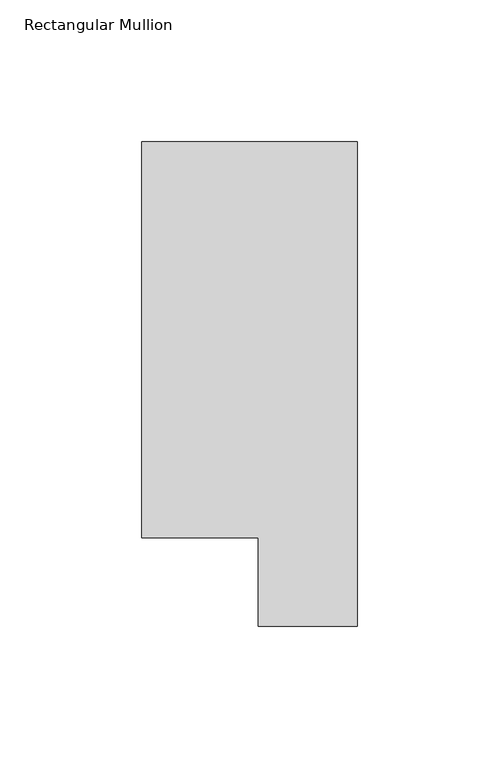
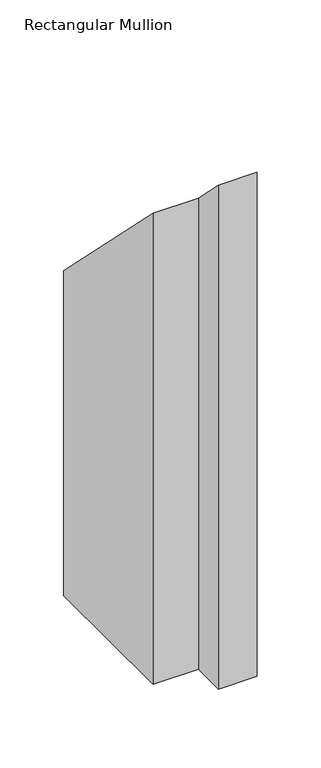
"""IFC4 building model written with IfcOpenShell, lengths in millimetres: member geometry, Rectangular Mullion."""

from ifc_helpers import new_model, si_unit, origin, place, context, project, spatial, faceted_brep, source, transform, mapped, element, save


def rectangular_mullion_82bb984d(model_context):
    return source(origin(), model_context, "Body", "Brep", [
        faceted_brep([(-76.2, 190.7881317, -501.3618687), (0.0, 190.7881317, -501.3618687), (0.0, 19.5667317, -501.3618687), (-34.9123, 19.5667317, -501.3618687), (-34.9123, 50.8087306, -501.3618687), (-76.2, 50.8087306, -501.3618687), (-76.2, 50.8087306, -50.8087306), (-76.2, 190.7881317, -190.7881317), (-34.9123, 50.8087306, -50.8087306), (-34.9123, 19.5667317, -19.5667317), (0.0, 19.5667317, -19.5667317), (0.0, 190.7881317, -190.7881317)], [[[0, 1, 2, 3, 4, 5]], [[6, 7, 0, 5]], [[8, 6, 5, 4]], [[9, 8, 4, 3]], [[10, 9, 3, 2]], [[11, 10, 2, 1]], [[7, 11, 1, 0]], [[7, 6, 8, 9, 10, 11]]]),
    ])


if __name__ == "__main__":
    model = new_model("IFC4")
    model_context = context("Model", 3, world=origin())
    ifc_project = project(units=[si_unit("LENGTHUNIT", "METRE", prefix="MILLI")], contexts=[model_context])
    site = spatial("IfcSite", under=ifc_project)
    building = spatial("IfcBuilding", under=site)
    placement = place(None, origin())
    rectangular_mullion_shape = rectangular_mullion_82bb984d(model_context)
    element("IfcMember", 1, ObjectType="Rectangular Mullion", at=placement, inside=building, context=model_context, shape_type="MappedRepresentation", body=[
        mapped(rectangular_mullion_shape, transform((0.0, 0.0, 0.0), x_axis=(1.0, 0.0, 0.0), y_axis=(0.0, 1.0, 0.0), z_axis=(0.0, 0.0, 1.0))),
    ])
    save(model, "model.ifc")
